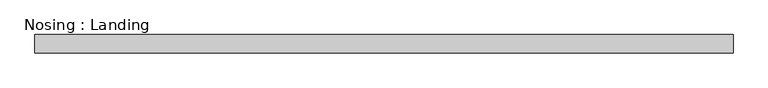
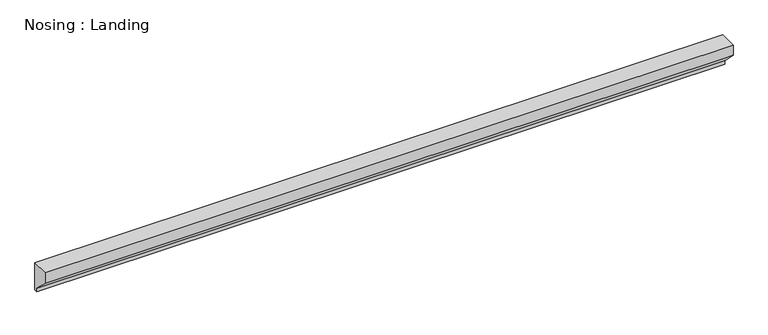
"""IFC4 building model written with IfcOpenShell, lengths in millimetres: proxy geometry, Nosing : Landing."""

from ifc_helpers import new_model, si_unit, frame, origin, place, context, project, spatial, polyline, outline, extrude, source, transform, mapped, element, save


def nosing_landing_a0155292(model_context):
    return source(origin(), model_context, "Body", "SweptSolid", [
        extrude(outline(polyline([(-31.75, 0.0), (0.0, 0.0), (0.0, -50.8), (-6.35, -50.8), (-6.35, -44.45), (-31.75, -19.05), (-31.75, 0.0)])), frame((0.0, 0.0, 0.0), z_axis=(1.0, 0.0, 0.0), x_axis=(0.0, 1.0, 0.0)), (0.0, 0.0, 1.0), 1219.2),
    ])


if __name__ == "__main__":
    model = new_model("IFC4")
    model_context = context("Model", 3, world=origin())
    ifc_project = project(units=[si_unit("LENGTHUNIT", "METRE", prefix="MILLI")], contexts=[model_context])
    site = spatial("IfcSite", under=ifc_project)
    building = spatial("IfcBuilding", under=site)
    placement = place(None, origin())
    nosing_landing_shape = nosing_landing_a0155292(model_context)
    element("IfcBuildingElementProxy", 1, Name="Nosing : Landing", ObjectType="Nosing : Landing", at=placement, inside=building, context=model_context, shape_type="MappedRepresentation", body=[
        mapped(nosing_landing_shape, transform((0.0, 0.0, 0.0), x_axis=(1.0, 0.0, 0.0), y_axis=(0.0, 1.0, 0.0), z_axis=(0.0, 0.0, 1.0))),
    ])
    save(model, "model.ifc")
